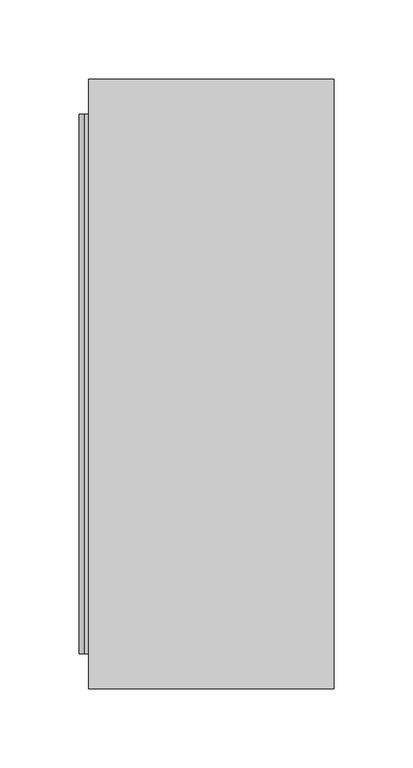
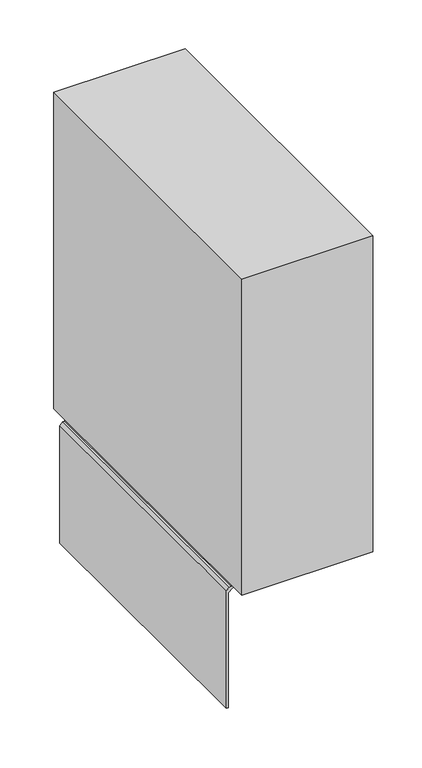
"""IFC4 building model written with IfcOpenShell, lengths in millimetres: proxy geometry."""

import ifcopenshell
import ifcopenshell.guid

model = None  # the IFC model being written
_history = None  # IfcOwnerHistory: only IFC2X3 demands one
_inside = {}  # id of a spatial element -> (the spatial element, [elements in it])
_under = {}  # id of a project, library or spatial element -> (it, [spatial elements below it])
_declared = {}  # id of a project -> (the project, [libraries it declares])
_typed = {}  # id of a type object -> (the type object, [elements of that type])
_made_of = {}  # id of a material, layer set ... -> (it, [elements and type objects made of it])


def new_model(schema):
    """Start an empty IFC model of exactly this schema.

    Asked for "IFC4X3", IfcOpenShell would pick the latest addendum, in which some entities
    have other attributes; the version numbers below select the first issue.
    IFC2X3 requires an IfcOwnerHistory on every rooted entity: one is made here for all.
    """
    global model, _history
    if schema == "IFC4X3":
        model = ifcopenshell.file(schema_version=(4, 3, 0, 0))
    else:
        model = ifcopenshell.file(schema=schema)
    _inside.clear()
    _under.clear()
    _declared.clear()
    _typed.clear()
    _made_of.clear()
    _history = None
    if model.schema == "IFC2X3":
        org = make("IfcOrganization", Name="unknown")
        user = make(
            "IfcPersonAndOrganization",
            ThePerson=make("IfcPerson", FamilyName="unknown"),
            TheOrganization=org,
        )
        app = make(
            "IfcApplication",
            ApplicationDeveloper=org,
            Version="unknown",
            ApplicationFullName="unknown",
            ApplicationIdentifier="unknown",
        )
        _history = make(
            "IfcOwnerHistory",
            OwningUser=user,
            OwningApplication=app,
            ChangeAction="ADDED",
            CreationDate=0,
        )
    return model


def make(cls, **values):
    """One entity of the class cls with the attributes given. An attribute that is None is left unset."""
    return model.create_entity(
        cls, **{name: value for name, value in values.items() if value is not None}
    )


def rooted(cls, **values):
    """An entity with a GlobalId (a new one), such as an element, a storey or a relation."""
    return make(cls, GlobalId=ifcopenshell.guid.new(), OwnerHistory=_history, **values)


def si_unit(unit_type, name, prefix=None):
    """IfcSIUnit, for example si_unit("LENGTHUNIT", "METRE", prefix="MILLI")."""
    return make("IfcSIUnit", UnitType=unit_type, Prefix=prefix, Name=name)


def assignment(units):
    """IfcUnitAssignment: the units of a project."""
    return None if units is None else make("IfcUnitAssignment", Units=units)


def point(xyz):
    """IfcCartesianPoint."""
    return None if xyz is None else make("IfcCartesianPoint", Coordinates=xyz)


def direction(xyz):
    """IfcDirection."""
    return None if xyz is None else make("IfcDirection", DirectionRatios=xyz)


def frame(location, z_axis=None, x_axis=None):
    """IfcAxis2Placement3D, a coordinate frame: its origin and axes. An axis left out is left unset."""
    return make(
        "IfcAxis2Placement3D",
        Location=point(location),
        Axis=direction(z_axis),
        RefDirection=direction(x_axis),
    )


def origin():
    """The frame at (0, 0, 0) with its axes left unset."""
    return frame((0.0, 0.0, 0.0))


def place(relative_to, where):
    """IfcLocalPlacement: puts the frame where relative to a parent placement (None: the world)."""
    return make(
        "IfcLocalPlacement", PlacementRelTo=relative_to, RelativePlacement=where
    )


def context(
    kind, dimensions, precision=None, world=None, true_north=None, identifier=None
):
    """IfcGeometricRepresentationContext, for example the 3D "Model" context."""
    return make(
        "IfcGeometricRepresentationContext",
        ContextIdentifier=identifier,
        ContextType=kind,
        CoordinateSpaceDimension=dimensions,
        Precision=precision,
        WorldCoordinateSystem=world,
        TrueNorth=true_north,
    )


def project(units=None, contexts=None):
    """IfcProject with its units and contexts."""
    return rooted(
        "IfcProject",
        Name="project",
        RepresentationContexts=contexts,
        UnitsInContext=assignment(units),
    )


def spatial(cls, under=None, at=None, **own):
    """A site, building, storey or space (cls), placed at a placement, below another one or the project."""
    s = rooted(cls, ObjectPlacement=at, **own)
    if under is not None:
        _under.setdefault(under.id(), (under, []))[1].append(s)
    return s


def polyline(points):
    """IfcPolyline through the points."""
    return make("IfcPolyline", Points=[point(p) for p in points])


def outline(outer, holes=None, kind="AREA"):
    """IfcArbitraryClosedProfileDef: a profile drawn as a closed curve; with holes, ...WithVoids."""
    if holes is None:
        return make("IfcArbitraryClosedProfileDef", ProfileType=kind, OuterCurve=outer)
    return make(
        "IfcArbitraryProfileDefWithVoids",
        ProfileType=kind,
        OuterCurve=outer,
        InnerCurves=holes,
    )


def extrude(swept, where, along, depth):
    """IfcExtrudedAreaSolid: the profile swept, set in the frame where, extruded along a direction by depth."""
    return make(
        "IfcExtrudedAreaSolid",
        SweptArea=swept,
        Position=where,
        ExtrudedDirection=direction(along),
        Depth=depth,
    )


def shape(context_of_items, identifier, shape_type, items):
    """IfcShapeRepresentation: the items that make up one representation, for example the "Body"."""
    return make(
        "IfcShapeRepresentation",
        ContextOfItems=context_of_items,
        RepresentationIdentifier=identifier,
        RepresentationType=shape_type,
        Items=items,
    )


def source(mapping_origin, context_of_items, identifier, shape_type, items):
    """IfcRepresentationMap: a shape defined once, which mapped items show again and again."""
    return make(
        "IfcRepresentationMap",
        MappingOrigin=mapping_origin,
        MappedRepresentation=shape(context_of_items, identifier, shape_type, items),
    )


def transform(
    local_origin,
    x_axis=None,
    y_axis=None,
    z_axis=None,
    scale=None,
    scale2=None,
    scale3=None,
    uniform=True,
):
    """IfcCartesianTransformationOperator3D, or its non-uniform kind. x_axis, y_axis, z_axis: its Axis1, 2, 3."""
    if uniform:
        return make(
            "IfcCartesianTransformationOperator3D",
            Axis1=direction(x_axis),
            Axis2=direction(y_axis),
            LocalOrigin=point(local_origin),
            Scale=scale,
            Axis3=direction(z_axis),
        )
    return make(
        "IfcCartesianTransformationOperator3DnonUniform",
        Axis1=direction(x_axis),
        Axis2=direction(y_axis),
        LocalOrigin=point(local_origin),
        Scale=scale,
        Axis3=direction(z_axis),
        Scale2=scale2,
        Scale3=scale3,
    )


def mapped(mapping_source, mapping_target):
    """IfcMappedItem: shows the shape of a source again, moved by a transform."""
    return make(
        "IfcMappedItem", MappingSource=mapping_source, MappingTarget=mapping_target
    )


def made_of(thing, what):
    """Note that an element or type object is made of a material, layer set ...; save() writes the relation."""
    if what is not None:
        _made_of.setdefault(what.id(), (what, []))[1].append(thing)
    return thing


def element(
    cls,
    number,
    at=None,
    inside=None,
    cuts=None,
    type_object=None,
    material=None,
    context=None,
    identifier="Body",
    shape_type=None,
    held_by="IfcProductDefinitionShape",
    body=None,
    shapes=None,
    **own,
):
    """One element of the class cls, such as IfcWall. Its Tag is "e" and its number.

    at: its placement. inside: the storey or other place that contains it. cuts: it is an
    opening in that element (IfcRelVoidsElement). A single representation is given by context,
    identifier, shape_type and body (its items); several are given by shapes. held_by: the class
    of the entity that holds the representations. save() writes the other relations.
    """
    e = rooted(cls, Tag="e%d" % number, ObjectPlacement=at, **own)
    if body is not None:
        shapes = [shape(context, identifier, shape_type, body)]
    if shapes is not None:
        e.Representation = make(held_by, Representations=shapes)
    if inside is not None:
        _inside.setdefault(inside.id(), (inside, []))[1].append(e)
    if cuts is not None:
        rooted(
            "IfcRelVoidsElement", RelatingBuildingElement=cuts, RelatedOpeningElement=e
        )
    if type_object is not None:
        _typed.setdefault(type_object.id(), (type_object, []))[1].append(e)
    return made_of(e, material)


def aggregate(whole, parts):
    """IfcRelAggregates: a whole, such as a stair, and the parts it consists of."""
    return rooted("IfcRelAggregates", RelatingObject=whole, RelatedObjects=parts)


def save(model, path):
    """Write the relations noted so far, then the file.

    IfcRelAggregates (storeys below a building ...), IfcRelContainedInSpatialStructure (elements
    in a storey), IfcRelDefinesByType, IfcRelAssociatesMaterial and IfcRelDeclares: one each for
    every whole, place, type object, material and project.
    """
    for whole, parts in _under.values():
        aggregate(whole, parts)
    for where, things in _inside.values():
        rooted(
            "IfcRelContainedInSpatialStructure",
            RelatedElements=things,
            RelatingStructure=where,
        )
    for kind, things in _typed.values():
        rooted("IfcRelDefinesByType", RelatedObjects=things, RelatingType=kind)
    for what, things in _made_of.values():
        rooted("IfcRelAssociatesMaterial", RelatedObjects=things, RelatingMaterial=what)
    for by, libraries in _declared.values():
        rooted("IfcRelDeclares", RelatingContext=by, RelatedDefinitions=libraries)
    model.write(path)


def specialty_equipment_c57d08ec(model_context):
    return source(origin(), model_context, "Body", "SweptSolid", [
        extrude(outline(polyline([(5.8171835, -125.6511628), (5.8171835, -134.9586563), (2.3, -134.9586563), (2.3, -125.6511628), (5.8171835, -125.6511628)])), frame((0.0, 0.0, 98.8921189), z_axis=(0.0, 0.0, 1.0), x_axis=(1.0, 0.0, 0.0)), (0.0, 0.0, 1.0), 29.0859173),
        extrude(outline(polyline([(5.8171835, -125.6511628), (5.8171835, -134.9586563), (2.3, -134.9586563), (2.3, -125.6511628), (5.8171835, -125.6511628)])), frame((0.0, 0.0, 43.0471576), z_axis=(0.0, 0.0, 1.0), x_axis=(1.0, 0.0, 0.0)), (0.0, 0.0, 1.0), 30.249354),
        extrude(outline(polyline([(5.8171835, 136.122093), (5.8171835, 126.8145995), (2.3, 126.8145995), (2.3, 136.122093), (5.8171835, 136.122093)])), frame((0.0, 0.0, 43.0471576), z_axis=(0.0, 0.0, 1.0), x_axis=(1.0, 0.0, 0.0)), (0.0, 0.0, 1.0), 30.249354),
        extrude(outline(polyline([(5.8171835, 136.122093), (5.8171835, 126.8145995), (2.3, 126.8145995), (2.3, 136.122093), (5.8171835, 136.122093)])), frame((0.0, 0.0, 98.8921189), z_axis=(0.0, 0.0, 1.0), x_axis=(1.0, 0.0, 0.0)), (0.0, 0.0, 1.0), 29.0859173),
        extrude(outline(polyline([(160.5542636, -192.0), (5.8171835, -192.0), (5.8171835, 192.0), (160.5542636, 192.0), (160.5542636, -192.0)])), frame((0.0, 0.0, 152.4102067), z_axis=(0.0, 0.0, 1.0), x_axis=(1.0, 0.0, 0.0)), (0.0, 0.0, 1.0), 394.4050388),
        extrude(outline(polyline([(0.0, 0.0), (0.0, 2.3268734), (143.1027132, 2.3268734), (147.7564599, 8.1440568), (147.7564599, 160.5542636), (152.4102067, 160.5542636), (152.4102067, 5.8171835), (150.0833333, 5.8171835), (150.0833333, 3.4903101), (146.5930233, 0.0), (0.0, 0.0)])), frame((0.0, -170.0, 0.0), z_axis=(0.0, 1.0, 0.0), x_axis=(0.0, 0.0, 1.0)), (0.0, 0.0, 1.0), 340.0),
    ])


if __name__ == "__main__":
    model = new_model("IFC4")
    model_context = context("Model", 3, world=origin())
    ifc_project = project(units=[si_unit("LENGTHUNIT", "METRE", prefix="MILLI")], contexts=[model_context])
    site = spatial("IfcSite", under=ifc_project)
    building = spatial("IfcBuilding", under=site)
    placement = place(None, origin())
    specialty_equipment_shape = specialty_equipment_c57d08ec(model_context)
    element("IfcBuildingElementProxy", 1, Name="Specialty Equipment", at=placement, inside=building, context=model_context, shape_type="MappedRepresentation", body=[
        mapped(specialty_equipment_shape, transform((0.0, 0.0, 0.0), x_axis=(1.0, 0.0, 0.0), y_axis=(0.0, 1.0, 0.0), z_axis=(0.0, 0.0, 1.0))),
    ])
    save(model, "model.ifc")
